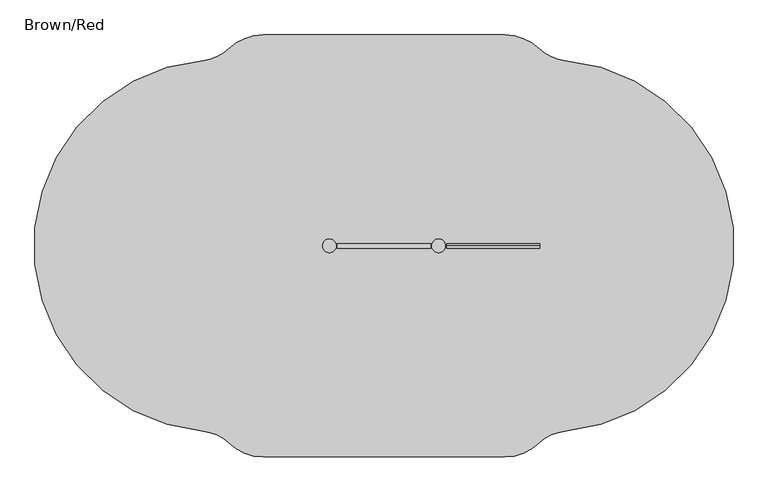
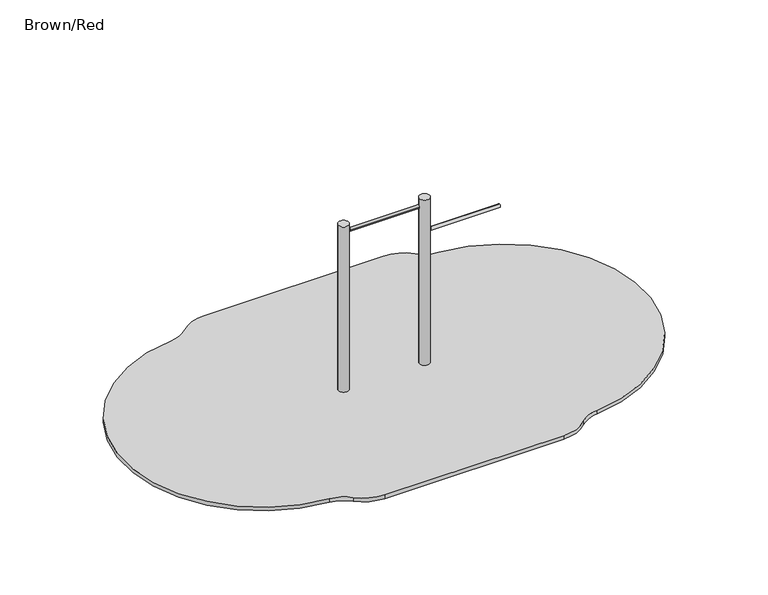
"""IFC4 building model written with IfcOpenShell, lengths in millimetres: furniture geometry, Brown/Red."""

from ifc_helpers import new_model, si_unit, point, frame, frame_2d, origin, place, context, project, spatial, polyline, circle_curve, trimmed, segment, composite_curve, outline, extrude, source, transform, mapped, element, save
from ifc_brep_helpers import plane_surface, cylinder_surface, revolved_surface, advanced_brep


def brown_red_88e0eb6d(model_context):
    return source(origin(), model_context, "Body", "SolidModel", [
        advanced_brep(
        [(866.2938007, 1904.9790482, 1.0), (-1080.2938007, 1904.9790482, 1.0), (-1358.5456039, 1792.6614743, 1.0), (-1563.6085084, 1698.8008927, 1.0), (-1563.6051351, -1288.7668571, 1.0), (-1358.5456039, -1382.6614743, 1.0), (-1080.2938007, -1494.9790482, 1.0), (866.2938007, -1494.9790482, 1.0), (1144.5456039, -1382.6614743, 1.0), (1349.6204963, -1288.7997966, 1.0), (1349.6199379, 1698.7998476, 1.0), (1144.5456039, 1792.6614743, 1.0), (866.2938007, 1904.9790482, -40.0), (1144.5456039, 1792.6614743, -40.0), (1349.6199379, 1698.7998476, -40.0), (1349.617474, -1288.766736, -40.0), (1144.5456039, -1382.6614743, -40.0), (866.2938007, -1494.9790482, -40.0), (-1080.2938007, -1494.9790482, -40.0), (-1358.5456039, -1382.6614743, -40.0), (-1563.6082499, -1288.8009163, -40.0), (-1563.603995, 1698.7515404, -40.0), (-1358.5456039, 1792.6614743, -40.0), (-1080.2938007, 1904.9790482, -40.0)],
        [
            (0, 1),
            (1, 2, circle_curve(frame((-1080.2938007, 1504.1544031, 1.0), z_axis=(0.0, 0.0, 1.0), x_axis=(1.0, 0.0, 0.0)), 400.8246451)),
            (2, 3, circle_curve(frame((-1594.5730395, 2037.3879536, 1.0), z_axis=(0.0, 0.0, -1.0), x_axis=(1.0, 0.0, 0.0)), 340.0)),
            (3, 4, circle_curve(frame((-1426.9964274, 204.9922895, 1.0), z_axis=(0.0, 0.0, 1.0), x_axis=(1.0, 0.0, 0.0)), 1499.9927757)),
            (4, 5, circle_curve(frame((-1594.5730395, -1627.3879536, 1.0), z_axis=(0.0, 0.0, -1.0), x_axis=(1.0, 0.0, 0.0)), 340.0)),
            (5, 6, circle_curve(frame((-1080.2938007, -1094.1544031, 1.0), z_axis=(0.0, 0.0, 1.0), x_axis=(1.0, 0.0, 0.0)), 400.8246451)),
            (6, 7),
            (7, 8, circle_curve(frame((866.2938007, -1094.1544031, 1.0), z_axis=(0.0, 0.0, 1.0), x_axis=(1.0, 0.0, 0.0)), 400.8246451)),
            (8, 9, circle_curve(frame((1380.5730395, -1627.3879536, 1.0), z_axis=(0.0, 0.0, -1.0), x_axis=(1.0, 0.0, 0.0)), 340.0)),
            (9, 10, circle_curve(frame((1213.0610283, 205.0166684, 1.0), z_axis=(0.0, 0.0, 1.0), x_axis=(1.0, 0.0, 0.0)), 1500.0121741)),
            (10, 11, circle_curve(frame((1380.5730395, 2037.3879536, 1.0), z_axis=(0.0, 0.0, -1.0), x_axis=(1.0, 0.0, 0.0)), 340.0)),
            (11, 0, circle_curve(frame((866.2938007, 1504.1544031, 1.0), z_axis=(0.0, 0.0, 1.0), x_axis=(1.0, 0.0, 0.0)), 400.8246451)),
            (12, 13, circle_curve(frame((866.2938007, 1504.1544031, -40.0), z_axis=(0.0, 0.0, -1.0), x_axis=(1.0, 0.0, 0.0)), 400.8246451)),
            (13, 14, circle_curve(frame((1380.5730395, 2037.3879536, -40.0), z_axis=(0.0, 0.0, 1.0), x_axis=(1.0, 0.0, 0.0)), 340.0)),
            (14, 15, circle_curve(frame((1213.0610283, 205.0166684, -40.0), z_axis=(0.0, 0.0, -1.0), x_axis=(1.0, 0.0, 0.0)), 1500.0121741)),
            (15, 16, circle_curve(frame((1380.5730395, -1627.3879536, -40.0), z_axis=(0.0, 0.0, 1.0), x_axis=(1.0, 0.0, 0.0)), 340.0)),
            (16, 17, circle_curve(frame((866.2938007, -1094.1544031, -40.0), z_axis=(0.0, 0.0, -1.0), x_axis=(1.0, 0.0, 0.0)), 400.8246451)),
            (17, 18),
            (18, 19, circle_curve(frame((-1080.2938007, -1094.1544031, -40.0), z_axis=(0.0, 0.0, -1.0), x_axis=(1.0, 0.0, 0.0)), 400.8246451)),
            (19, 20, circle_curve(frame((-1594.5730395, -1627.3879536, -40.0), z_axis=(0.0, 0.0, 1.0), x_axis=(1.0, 0.0, 0.0)), 340.0)),
            (20, 21, circle_curve(frame((-1426.9964274, 204.9922895, -40.0), z_axis=(0.0, 0.0, -1.0), x_axis=(1.0, 0.0, 0.0)), 1499.9927757)),
            (21, 22, circle_curve(frame((-1594.5730395, 2037.3879536, -40.0), z_axis=(0.0, 0.0, 1.0), x_axis=(1.0, 0.0, 0.0)), 340.0)),
            (22, 23, circle_curve(frame((-1080.2938007, 1504.1544031, -40.0), z_axis=(0.0, 0.0, -1.0), x_axis=(1.0, 0.0, 0.0)), 400.8246451)),
            (23, 12),
            (0, 12),
            (23, 1),
            (3, 21),
            (20, 4),
            (9, 15),
            (14, 10),
            (13, 11),
            (22, 2),
            (19, 5),
            (18, 6),
            (17, 7),
            (16, 8),
        ],
        [
            plane_surface(frame((-1427.0, 1904.9790482, 1.0), z_axis=(0.0, 0.0, 1.0), x_axis=(-1.0, 0.0, 0.0))),
            plane_surface(frame((-1427.0, 1904.9790482, -40.0), z_axis=(0.0, 0.0, -1.0), x_axis=(1.0, 0.0, 0.0))),
            plane_surface(frame((866.2938007, 1904.9790482, 1.0), z_axis=(0.0, 1.0, 0.0), x_axis=(0.0, 0.0, -1.0))),
            cylinder_surface(frame((-1426.9964274, 204.9922895, -40.0), z_axis=(0.0, 0.0, 1.0), x_axis=(1.0, 0.0, 0.0)), 1499.9927757),
            cylinder_surface(frame((1213.0610283, 205.0166684, -40.0), z_axis=(0.0, 0.0, 1.0), x_axis=(1.0, 0.0, 0.0)), 1500.0121741),
            revolved_surface(polyline([(1720.5730395, 2037.3879536, -40.0), (1720.5730395, 2037.3879536, 1.0)]), (1380.5730395, 2037.3879536, -40.0), (0.0, 0.0, -1.0)),
            cylinder_surface(frame((866.2938007, 1504.1544031, -40.0), z_axis=(0.0, 0.0, 1.0), x_axis=(1.0, 0.0, 0.0)), 400.8246451),
            cylinder_surface(frame((-1080.2938007, 1504.1544031, -40.0), z_axis=(0.0, 0.0, 1.0), x_axis=(1.0, 0.0, 0.0)), 400.8246451),
            revolved_surface(polyline([(-1254.5730395, 2037.3879536, -40.0), (-1254.5730395, 2037.3879536, 1.0)]), (-1594.5730395, 2037.3879536, -40.0), (0.0, 0.0, -1.0)),
            revolved_surface(polyline([(-1254.5730395, -1627.3879536, -40.0), (-1254.5730395, -1627.3879536, 1.0)]), (-1594.5730395, -1627.3879536, -40.0), (0.0, 0.0, -1.0)),
            cylinder_surface(frame((-1080.2938007, -1094.1544031, -40.0), z_axis=(0.0, 0.0, 1.0), x_axis=(1.0, 0.0, 0.0)), 400.8246451),
            plane_surface(frame((-1080.2938007, -1494.9790482, 1.0), z_axis=(0.0, -1.0, 0.0), x_axis=(0.0, 0.0, -1.0))),
            cylinder_surface(frame((866.2938007, -1094.1544031, -40.0), z_axis=(0.0, 0.0, 1.0), x_axis=(1.0, 0.0, 0.0)), 400.8246451),
            revolved_surface(polyline([(1720.5730395, -1627.3879536, -40.0), (1720.5730395, -1627.3879536, 1.0)]), (1380.5730395, -1627.3879536, -40.0), (0.0, 0.0, -1.0)),
        ],
        [
            (0, [[1, 2, 3, 4, 5, 6, 7, 8, 9, 10, 11, 12]]),
            (1, [[13, 14, 15, 16, 17, 18, 19, 20, 21, 22, 23, 24]]),
            (2, [[-1, 25, -24, 26]]),
            (3, [[-4, 27, -21, 28]]),
            (4, [[-10, 29, -15, 30]]),
            (5, [[-11, -30, -14, 31]]),
            (6, [[-12, -31, -13, -25]]),
            (7, [[-2, -26, -23, 32]]),
            (8, [[-3, -32, -22, -27]]),
            (9, [[-5, -28, -20, 33]]),
            (10, [[-6, -33, -19, 34]]),
            (11, [[-7, -34, -18, 35]]),
            (12, [[-8, -35, -17, 36]]),
            (13, [[-9, -36, -16, -29]]),
        ],
    ),
        extrude(outline(composite_curve([segment(trimmed(circle_curve(frame_2d((205.0, 1515.0)), 17.0), [point((205.0, 1532.0))], [point((205.0, 1498.0))], False, "CARTESIAN"), True, "CONTINUOUS"), segment(trimmed(circle_curve(frame_2d((205.0, 1515.0)), 17.0), [point((205.0, 1498.0))], [point((205.0, 1532.0))], False, "CARTESIAN"), True, "CONTINUOUS")], self_intersect=False)), frame((397.7607422, 0.0, 0.0), z_axis=(1.0, 0.0, 0.0), x_axis=(0.0, 1.0, 0.0)), (0.0, 0.0, 1.0), 750.472374),
        extrude(outline(composite_curve([segment(trimmed(circle_curve(frame_2d((-547.0, 205.0)), 55.0), [point((-602.0, 205.0))], [point((-492.0, 205.0))], False, "CARTESIAN"), True, "CONTINUOUS"), segment(trimmed(circle_curve(frame_2d((-547.0, 205.0)), 55.0), [point((-492.0, 205.0))], [point((-602.0, 205.0))], False, "CARTESIAN"), True, "CONTINUOUS")], self_intersect=False)), frame((0.0, 0.0, -100.0), z_axis=(0.0, 0.0, 1.0), x_axis=(1.0, 0.0, 0.0)), (0.0, 0.0, 1.0), 2000.0),
        extrude(outline(composite_curve([segment(trimmed(circle_curve(frame_2d((333.0, 205.0)), 55.0), [point((278.0, 205.0))], [point((388.0, 205.0))], False, "CARTESIAN"), True, "CONTINUOUS"), segment(trimmed(circle_curve(frame_2d((333.0, 205.0)), 55.0), [point((388.0, 205.0))], [point((278.0, 205.0))], False, "CARTESIAN"), True, "CONTINUOUS")], self_intersect=False)), frame((0.0, 0.0, -100.0), z_axis=(0.0, 0.0, 1.0), x_axis=(1.0, 0.0, 0.0)), (0.0, 0.0, 1.0), 2000.0),
        extrude(outline(composite_curve([segment(trimmed(circle_curve(frame_2d((205.0, 1812.5)), 17.0), [point((188.0, 1812.5))], [point((222.0, 1812.5))], False, "CARTESIAN"), True, "CONTINUOUS"), segment(trimmed(circle_curve(frame_2d((205.0, 1812.5)), 17.0), [point((222.0, 1812.5))], [point((188.0, 1812.5))], False, "CARTESIAN"), True, "CONTINUOUS")], self_intersect=False)), frame((-482.2163968, 0.0, 0.0), z_axis=(1.0, 0.0, 0.0), x_axis=(0.0, 1.0, 0.0)), (0.0, 0.0, 1.0), 750.465988),
    ])


if __name__ == "__main__":
    model = new_model("IFC4")
    model_context = context("Model", 3, world=origin())
    ifc_project = project(units=[si_unit("LENGTHUNIT", "METRE", prefix="MILLI")], contexts=[model_context])
    site = spatial("IfcSite", under=ifc_project)
    building = spatial("IfcBuilding", under=site)
    placement = place(None, origin())
    brown_red_shape = brown_red_88e0eb6d(model_context)
    element("IfcFurniture", 1, ObjectType="Brown/Red", at=placement, inside=building, context=model_context, shape_type="MappedRepresentation", body=[
        mapped(brown_red_shape, transform((0.0, 0.0, 0.0), x_axis=(1.0, 0.0, 0.0), y_axis=(0.0, 1.0, 0.0), z_axis=(0.0, 0.0, 1.0))),
    ])
    save(model, "model.ifc")
